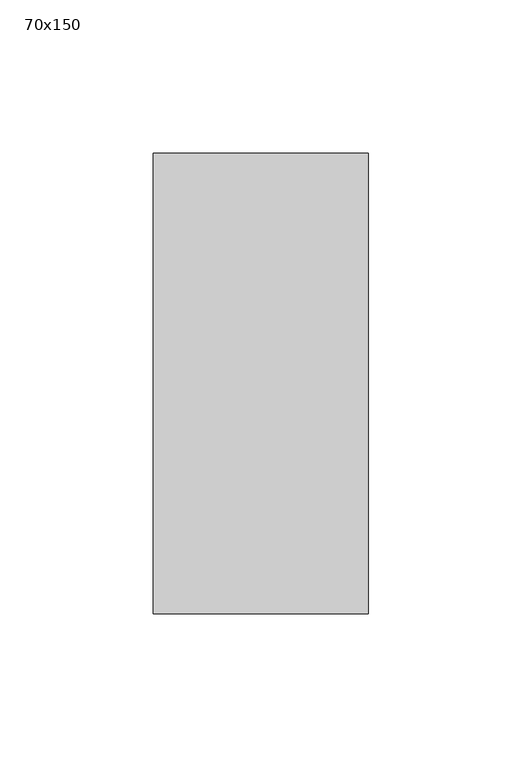
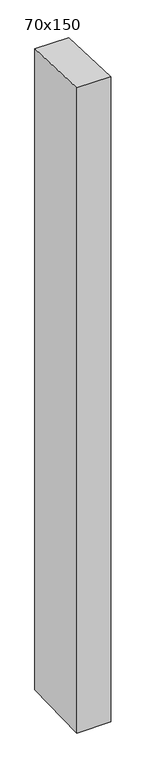
"""IFC4 building model written with IfcOpenShell, lengths in millimetres: member geometry, 70x150."""

from ifc_helpers import new_model, si_unit, frame, origin, place, context, project, spatial, polyline, outline, extrude, source, transform, mapped, element, save


def member_70x150_0cfe8dd9(model_context):
    return source(origin(), model_context, "Body", "SweptSolid", [
        extrude(outline(polyline([(-75.0, 2.9010001), (75.0, -2.9010001), (75.0, -1397.8576567), (-75.0, -1401.5006652), (-75.0, 2.9010001)])), frame((-70.0, 0.0, 0.0), z_axis=(1.0, 0.0, 0.0), x_axis=(0.0, 1.0, 0.0)), (0.0, 0.0, 1.0), 70.0),
    ])


if __name__ == "__main__":
    model = new_model("IFC4")
    model_context = context("Model", 3, world=origin())
    ifc_project = project(units=[si_unit("LENGTHUNIT", "METRE", prefix="MILLI")], contexts=[model_context])
    site = spatial("IfcSite", under=ifc_project)
    building = spatial("IfcBuilding", under=site)
    placement = place(None, origin())
    member_70x150_shape = member_70x150_0cfe8dd9(model_context)
    element("IfcMember", 1, ObjectType="70x150", at=placement, inside=building, context=model_context, shape_type="MappedRepresentation", body=[
        mapped(member_70x150_shape, transform((0.0, 0.0, 0.0), x_axis=(1.0, 0.0, 0.0), y_axis=(0.0, 1.0, 0.0), z_axis=(0.0, 0.0, 1.0))),
    ])
    save(model, "model.ifc")
